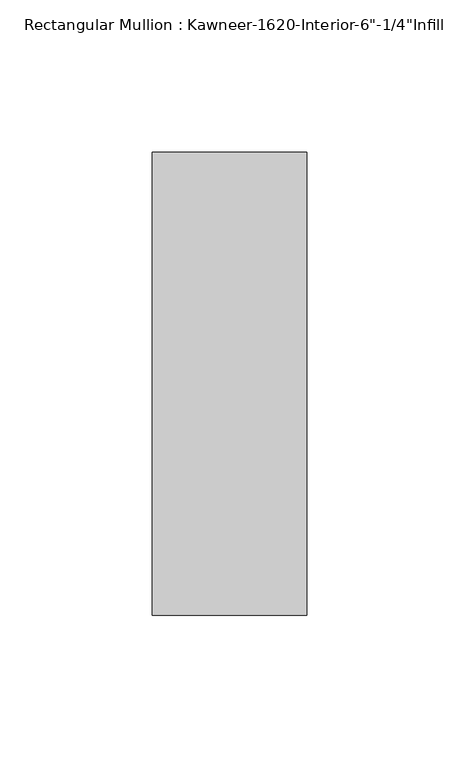
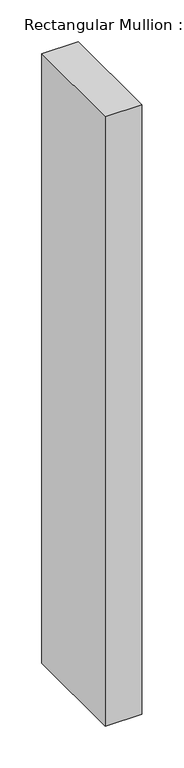
"""IFC4 building model written with IfcOpenShell, lengths in millimetres: member geometry."""

from ifc_helpers import new_model, si_unit, frame, origin, place, context, project, spatial, polyline, outline, extrude, source, transform, mapped, element, save


def member_81ca6e7b(model_context):
    return source(origin(), model_context, "Body", "SweptSolid", [
        extrude(outline(polyline([(25.4, -123.825), (-25.4, -123.825), (-25.4, 28.575), (25.4, 28.575), (25.4, -123.825)])), frame((0.0, 0.0, -892.1508018), z_axis=(0.0, 0.0, 1.0), x_axis=(1.0, 0.0, 0.0)), (0.0, 0.0, 1.0), 892.1508018),
    ])


if __name__ == "__main__":
    model = new_model("IFC4")
    model_context = context("Model", 3, world=origin())
    ifc_project = project(units=[si_unit("LENGTHUNIT", "METRE", prefix="MILLI")], contexts=[model_context])
    site = spatial("IfcSite", under=ifc_project)
    building = spatial("IfcBuilding", under=site)
    placement = place(None, origin())
    member_shape = member_81ca6e7b(model_context)
    element("IfcMember", 1, ObjectType="Rectangular Mullion : Kawneer-1620-Interior-6\"-1/4\"Infill", at=placement, inside=building, context=model_context, shape_type="MappedRepresentation", body=[
        mapped(member_shape, transform((0.0, 0.0, 0.0), x_axis=(1.0, 0.0, 0.0), y_axis=(0.0, 1.0, 0.0), z_axis=(0.0, 0.0, 1.0))),
    ])
    save(model, "model.ifc")
